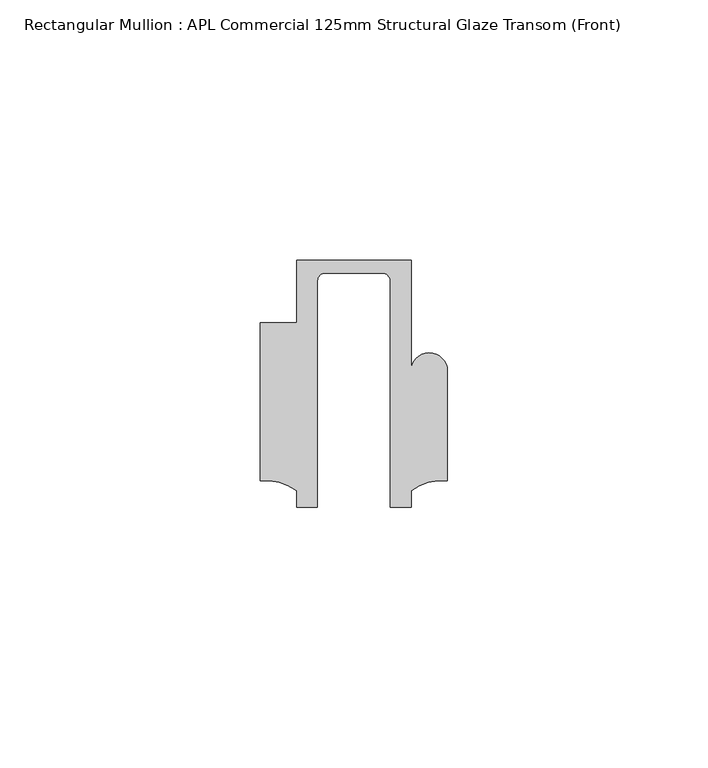
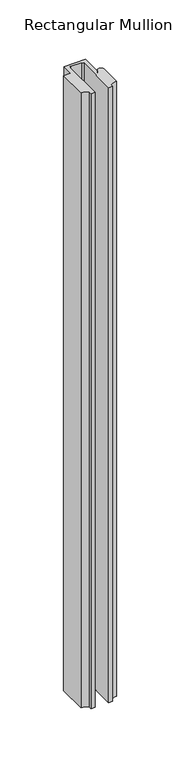
"""IFC4 building model written with IfcOpenShell, lengths in millimetres: member geometry, Rectangular Mullion : APL Commercial 125mm Structural Glaze Transom (Front)."""

from ifc_helpers import new_model, si_unit, frame, origin, place, context, project, spatial, polyline, circle_curve, source, transform, mapped, element, save
from ifc_brep_helpers import plane_surface, cylinder_surface, revolved_surface, advanced_brep


def rectangular_mullion_apl_commercial_125mm_structural_glaze_98ab63b1(model_context):
    return source(origin(), model_context, "Body", "AdvancedBrep", [
        advanced_brep(
        [(-11.0000151, 27.0, 0.0), (-11.0000151, 15.0006281, 0.0), (-17.9999542, 15.0006281, 0.0), (-17.9999542, -15.3797475, 0.0), (-10.9999994, -17.3125325, 0.0), (-10.9999994, -20.5, 0.0), (-6.9999853, -20.5, 0.0), (-6.9999853, 22.9976091, 0.0), (-5.4999873, 24.5, 0.0), (5.4999872, 24.5, 0.0), (6.9999849, 22.9973451, 0.0), (6.9999849, -20.5, 0.0), (11.0000151, -20.5, 0.0), (11.0000151, -17.3125212, 0.0), (17.9999542, -15.3797475, 0.0), (17.9999542, 5.684606, 0.0), (11.001071, 5.5848769, 0.0), (11.001071, 27.0, 0.0), (-11.0000151, 27.0, -657.1423128), (11.001071, 27.0, -657.1423128), (11.001071, 5.5848769, -657.1423128), (17.9999091, 5.6750512, -657.1423128), (17.9999542, -15.3797475, -657.1423128), (11.0000151, -17.3125212, -657.1423128), (11.0000151, -20.5, -657.1423128), (6.9999849, -20.5, -657.1423128), (6.9999849, 22.9973451, -657.1423128), (5.4999872, 24.5, -657.1423128), (-5.4999873, 24.5, -657.1423128), (-6.9999853, 22.9976091, -657.1423128), (-6.9999853, -20.5, -657.1423128), (-10.9999994, -20.5, -657.1423128), (-10.9999994, -17.3125325, -657.1423128), (-17.9999542, -15.3797475, -657.1423128), (-17.9999542, 15.0006281, -657.1423128), (-11.0000151, 15.0006281, -657.1423128)],
        [
            (0, 1),
            (1, 2),
            (2, 3),
            (3, 4, circle_curve(frame((-17.109817, -25.7981812, 0.0), z_axis=(0.0, 0.0, -1.0), x_axis=(0.0, 1.0, 0.0)), 10.4563907)),
            (4, 5),
            (5, 6),
            (6, 7),
            (7, 8, circle_curve(frame((-5.4999873, 23.0, 0.0), z_axis=(0.0, 0.0, -1.0), x_axis=(2.7320010112268853e-08, 0.9999999999999997, 0.0)), 1.5)),
            (8, 9),
            (9, 10, circle_curve(frame((5.4999872, 23.0, 0.0), z_axis=(0.0, 0.0, -1.0), x_axis=(0.9999999999999986, -5.463622857820516e-08, 0.0)), 1.5)),
            (10, 11),
            (11, 12),
            (12, 13),
            (13, 14, circle_curve(frame((17.109817, -25.7981812, 0.0), z_axis=(0.0, 0.0, -1.0), x_axis=(0.0, 1.0, 0.0)), 10.4563907)),
            (14, 15),
            (15, 16, circle_curve(frame((14.4999091, 5.6750512, 0.0), z_axis=(0.0, 0.0, 1.0), x_axis=(-0.9999826028573957, -0.005898642432633649, 0.0)), 3.5)),
            (16, 17),
            (17, 0),
            (18, 19),
            (19, 20),
            (20, 21, circle_curve(frame((14.4999091, 5.6750512, -657.1423128), z_axis=(0.0, 0.0, -1.0), x_axis=(-0.9999826028573957, -0.005898642432633649, 0.0)), 3.5)),
            (21, 22),
            (22, 23, circle_curve(frame((17.109817, -25.7981812, -657.1423128), z_axis=(0.0, 0.0, 1.0), x_axis=(0.0, 1.0, 0.0)), 10.4563907)),
            (23, 24),
            (24, 25),
            (25, 26),
            (26, 27, circle_curve(frame((5.4999872, 23.0, -657.1423128), z_axis=(0.0, 0.0, 1.0), x_axis=(0.9999999999999986, -5.463622857820516e-08, 0.0)), 1.5)),
            (27, 28),
            (28, 29, circle_curve(frame((-5.4999873, 23.0, -657.1423128), z_axis=(0.0, 0.0, 1.0), x_axis=(2.7320010112268853e-08, 0.9999999999999997, 0.0)), 1.5)),
            (29, 30),
            (30, 31),
            (31, 32),
            (32, 33, circle_curve(frame((-17.109817, -25.7981812, -657.1423128), z_axis=(0.0, 0.0, 1.0), x_axis=(0.0, 1.0, 0.0)), 10.4563907)),
            (33, 34),
            (34, 35),
            (35, 18),
            (0, 18),
            (35, 1),
            (34, 2),
            (33, 3),
            (32, 4),
            (31, 5),
            (30, 6),
            (29, 7),
            (28, 8),
            (27, 9),
            (26, 10),
            (25, 11),
            (24, 12),
            (23, 13),
            (22, 14),
            (21, 15),
            (20, 16),
            (19, 17),
        ],
        [
            plane_surface(frame((0.0, -29.1551636, 0.0), z_axis=(0.0, 0.0, 1.0), x_axis=(-1.0, 0.0, 0.0))),
            plane_surface(frame((0.0, -29.1551636, -657.1423128), z_axis=(0.0, 0.0, -1.0), x_axis=(-1.0, 0.0, 0.0))),
            plane_surface(frame((-11.0000151, 27.0, 0.0), z_axis=(-1.0, 0.0, 0.0), x_axis=(0.0, 0.0, -1.0))),
            plane_surface(frame((-11.0000151, 15.0006281, 0.0), z_axis=(0.0, 1.0, 0.0), x_axis=(0.0, 0.0, -1.0))),
            plane_surface(frame((-17.9999542, 15.0006281, 0.0), z_axis=(-1.0, 0.0, 0.0), x_axis=(0.0, 0.0, -1.0))),
            revolved_surface(polyline([(-17.109817, -15.341790499999998, -657.1423128), (-17.109817, -15.341790499999998, 0.0)]), (-17.109817, -25.7981812, 0.0), (0.0, 0.0, -1.0)),
            plane_surface(frame((-10.9999994, -17.3125325, 0.0), z_axis=(-1.0, 0.0, 0.0), x_axis=(0.0, 0.0, -1.0))),
            plane_surface(frame((-10.9999994, -20.5, 0.0), z_axis=(0.0, -1.0, 0.0), x_axis=(0.0, 0.0, -1.0))),
            plane_surface(frame((-6.9999853, -20.5, 0.0), z_axis=(1.0, 0.0, 0.0), x_axis=(0.0, 0.0, -1.0))),
            revolved_surface(polyline([(-5.499987259019985, 24.5, -657.1423128), (-5.499987259019985, 24.5, 0.0)]), (-5.4999873, 23.0, 0.0), (0.0, 0.0, -1.0)),
            plane_surface(frame((-5.4999873, 24.5, 0.0), z_axis=(0.0, -1.0, 0.0), x_axis=(0.0, 0.0, -1.0))),
            revolved_surface(polyline([(6.999987199999998, 22.999999918045656, -657.1423128), (6.999987199999998, 22.999999918045656, 0.0)]), (5.4999872, 23.0, 0.0), (0.0, 0.0, -1.0)),
            plane_surface(frame((6.9999849, 22.9973451, 0.0), z_axis=(-1.0, 0.0, 0.0), x_axis=(0.0, 0.0, -1.0))),
            plane_surface(frame((6.9999849, -20.5, 0.0), z_axis=(0.0, -1.0, 0.0), x_axis=(0.0, 0.0, -1.0))),
            plane_surface(frame((11.0000151, -20.5, 0.0), z_axis=(1.0, 0.0, 0.0), x_axis=(0.0, 0.0, -1.0))),
            revolved_surface(polyline([(17.109817, -15.341790499999998, -657.1423128), (17.109817, -15.341790499999998, 0.0)]), (17.109817, -25.7981812, 0.0), (0.0, 0.0, -1.0)),
            plane_surface(frame((17.9999542, -15.3797475, 0.0), z_axis=(1.0, 0.0, 0.0), x_axis=(0.0, 0.0, -1.0))),
            cylinder_surface(frame((14.4999091, 5.6750512, 0.0), z_axis=(0.0, 0.0, 1.0), x_axis=(-0.9999826028573957, -0.005898642432633649, 0.0)), 3.5),
            plane_surface(frame((11.001071, 5.5848769, 0.0), z_axis=(1.0, 0.0, 0.0), x_axis=(0.0, 0.0, -1.0))),
            plane_surface(frame((11.001071, 27.0, 0.0), z_axis=(0.0, 1.0, 0.0), x_axis=(0.0, 0.0, -1.0))),
        ],
        [
            (0, [[1, 2, 3, 4, 5, 6, 7, 8, 9, 10, 11, 12, 13, 14, 15, 16, 17, 18]]),
            (1, [[19, 20, 21, 22, 23, 24, 25, 26, 27, 28, 29, 30, 31, 32, 33, 34, 35, 36]]),
            (2, [[-1, 37, -36, 38]]),
            (3, [[-2, -38, -35, 39]]),
            (4, [[-3, -39, -34, 40]]),
            (5, [[-4, -40, -33, 41]]),
            (6, [[-5, -41, -32, 42]]),
            (7, [[-6, -42, -31, 43]]),
            (8, [[-7, -43, -30, 44]]),
            (9, [[-8, -44, -29, 45]]),
            (10, [[-9, -45, -28, 46]]),
            (11, [[-10, -46, -27, 47]]),
            (12, [[-11, -47, -26, 48]]),
            (13, [[-12, -48, -25, 49]]),
            (14, [[-13, -49, -24, 50]]),
            (15, [[-14, -50, -23, 51]]),
            (16, [[-15, -51, -22, 52]]),
            (17, [[-16, -52, -21, 53]]),
            (18, [[-17, -53, -20, 54]]),
            (19, [[-18, -54, -19, -37]]),
        ],
    ),
    ])


if __name__ == "__main__":
    model = new_model("IFC4")
    model_context = context("Model", 3, world=origin())
    ifc_project = project(units=[si_unit("LENGTHUNIT", "METRE", prefix="MILLI")], contexts=[model_context])
    site = spatial("IfcSite", under=ifc_project)
    building = spatial("IfcBuilding", under=site)
    placement = place(None, origin())
    rectangular_mullion_apl_commercial_125mm_structural_glaze_shape = rectangular_mullion_apl_commercial_125mm_structural_glaze_98ab63b1(model_context)
    element("IfcMember", 1, ObjectType="Rectangular Mullion : APL Commercial 125mm Structural Glaze Transom (Front)", at=placement, inside=building, context=model_context, shape_type="MappedRepresentation", body=[
        mapped(rectangular_mullion_apl_commercial_125mm_structural_glaze_shape, transform((0.0, 0.0, 0.0), x_axis=(1.0, 0.0, 0.0), y_axis=(0.0, 1.0, 0.0), z_axis=(0.0, 0.0, 1.0))),
    ])
    save(model, "model.ifc")
